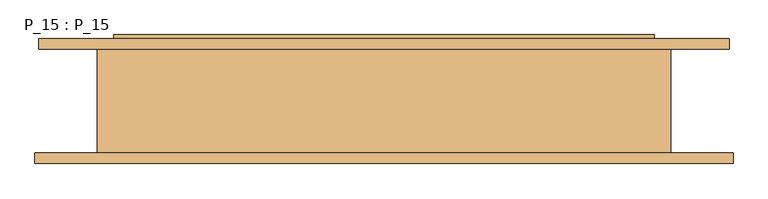
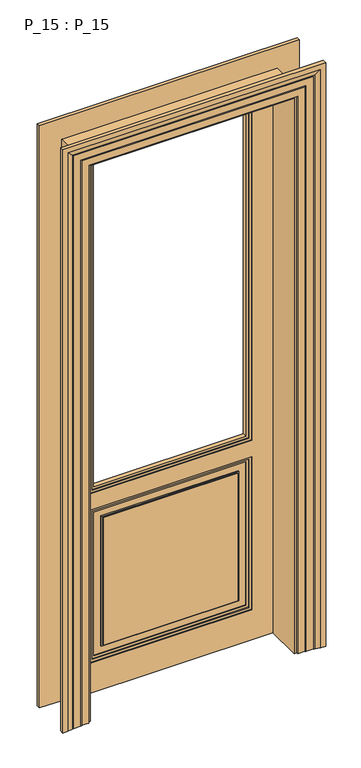
"""IFC4 building model written with IfcOpenShell, lengths in millimetres: door geometry, P_15 : P_15."""

from ifc_helpers import new_model, si_unit, frame, origin, place, context, project, spatial, polyline, outline, extrude, faceted_brep, source, transform, mapped, element, save


def p_15_p_15_2faf7671(model_context):
    return source(origin(), model_context, "Body", "SolidModel", [
        faceted_brep([(415.0, 102.0, 0.0), (-415.0, 102.0, 0.0), (-415.0, 102.0, 2395.0), (415.0, 102.0, 2395.0), (330.0, 102.0, 790.0), (-330.0, 102.0, 790.0), (-330.0, 102.0, 130.0), (330.0, 102.0, 130.0), (330.0, 102.0, 860.0), (330.0, 102.0, 2310.0), (-330.0, 102.0, 2310.0), (-330.0, 102.0, 860.0), (330.0, 98.0, 790.0), (-330.0, 98.0, 790.0), (-330.0, 98.0, 130.0), (330.0, 98.0, 130.0), (415.0, 95.0, 0.0), (420.0, 95.0, 0.0), (420.0, 80.0, 0.0), (415.0, 80.0, 0.0), (415.0, 68.0, 0.0), (-415.0, 68.0, 0.0), (-415.0, 80.0, 0.0), (-420.0, 80.0, 0.0), (-420.0, 95.0, 0.0), (-415.0, 95.0, 0.0), (-415.0, 95.0, 2395.0), (415.0, 95.0, 2395.0), (330.0, 98.0, 860.0), (330.0, 98.0, 2310.0), (-330.0, 98.0, 2310.0), (-330.0, 98.0, 860.0), (-420.0, 95.0, 2400.0), (420.0, 95.0, 2400.0), (420.0, 80.0, 2400.0), (-420.0, 80.0, 2400.0), (-415.0, 80.0, 2395.0), (415.0, 80.0, 2395.0), (310.0, 80.0, 150.0), (310.0, 80.0, 770.0), (-310.0, 80.0, 770.0), (-310.0, 80.0, 150.0), (280.0, 80.0, 740.0), (280.0, 80.0, 180.0), (-280.0, 80.0, 180.0), (-280.0, 80.0, 740.0), (-310.0, 90.0, 770.0), (310.0, 90.0, 770.0), (310.0, 90.0, 150.0), (-310.0, 90.0, 150.0), (-280.0, 90.0, 180.0), (280.0, 90.0, 180.0), (280.0, 90.0, 740.0), (-280.0, 90.0, 740.0), (-275.0, 90.0, 735.0), (275.0, 90.0, 735.0), (275.0, 90.0, 185.0), (-275.0, 90.0, 185.0), (310.0, 94.0, 2290.0), (310.0, 94.0, 880.0), (310.0, 76.0, 880.0), (310.0, 76.0, 2290.0), (-310.0, 94.0, 880.0), (-310.0, 76.0, 880.0), (-310.0, 94.0, 2290.0), (-310.0, 76.0, 2290.0), (320.0, 98.0, 2300.0), (320.0, 98.0, 870.0), (320.0, 94.0, 870.0), (320.0, 94.0, 2300.0), (-320.0, 98.0, 870.0), (-320.0, 94.0, 870.0), (-320.0, 98.0, 2300.0), (-320.0, 94.0, 2300.0), (-320.0, 98.0, 780.0), (320.0, 98.0, 780.0), (320.0, 94.0, 780.0), (-320.0, 94.0, 780.0), (320.0, 98.0, 140.0), (320.0, 94.0, 140.0), (-320.0, 98.0, 140.0), (-320.0, 94.0, 140.0), (-280.0, 94.0, 740.0), (280.0, 94.0, 740.0), (280.0, 94.0, 180.0), (-280.0, 94.0, 180.0), (-275.0, 94.0, 735.0), (-275.0, 94.0, 185.0), (275.0, 94.0, 185.0), (275.0, 94.0, 735.0), (-310.0, 94.0, 770.0), (-310.0, 94.0, 150.0), (310.0, 94.0, 150.0), (310.0, 94.0, 770.0), (330.0, 68.0, 790.0), (-330.0, 68.0, 790.0), (-330.0, 72.0, 790.0), (330.0, 72.0, 790.0), (-330.0, 68.0, 130.0), (-330.0, 72.0, 130.0), (330.0, 68.0, 130.0), (330.0, 72.0, 130.0), (-415.0, 68.0, 2395.0), (415.0, 68.0, 2395.0), (330.0, 68.0, 860.0), (330.0, 68.0, 2310.0), (330.0, 72.0, 2310.0), (330.0, 72.0, 860.0), (-330.0, 68.0, 2310.0), (-330.0, 68.0, 860.0), (-330.0, 72.0, 860.0), (-330.0, 72.0, 2310.0), (-320.0, 72.0, 2300.0), (-320.0, 72.0, 870.0), (-320.0, 76.0, 870.0), (-320.0, 76.0, 2300.0), (320.0, 72.0, 870.0), (320.0, 76.0, 870.0), (320.0, 72.0, 2300.0), (320.0, 76.0, 2300.0), (320.0, 72.0, 780.0), (-320.0, 72.0, 780.0), (-320.0, 76.0, 780.0), (320.0, 76.0, 780.0), (-320.0, 72.0, 140.0), (-320.0, 76.0, 140.0), (320.0, 72.0, 140.0), (320.0, 76.0, 140.0), (280.0, 76.0, 740.0), (-280.0, 76.0, 740.0), (-280.0, 76.0, 180.0), (280.0, 76.0, 180.0), (275.0, 76.0, 735.0), (275.0, 76.0, 185.0), (-275.0, 76.0, 185.0), (-275.0, 76.0, 735.0), (310.0, 76.0, 770.0), (310.0, 76.0, 150.0), (-310.0, 76.0, 150.0), (-310.0, 76.0, 770.0), (275.0, 72.0, 735.0), (-275.0, 72.0, 735.0), (-275.0, 72.0, 185.0), (275.0, 72.0, 185.0)], [[[0, 1, 2, 3], [4, 5, 6, 7], [8, 9, 10, 11]], [[5, 4, 12, 13]], [[6, 5, 13, 14]], [[7, 6, 14, 15]], [[4, 7, 15, 12]], [[1, 0, 16, 17, 18, 19, 20, 21, 22, 23, 24, 25]], [[2, 1, 25, 26]], [[0, 3, 27, 16]], [[9, 8, 28, 29]], [[11, 10, 30, 31]], [[8, 11, 31, 28]], [[17, 16, 27, 26, 25, 24, 32, 33]], [[17, 33, 34, 18]], [[35, 23, 22, 36, 37, 19, 18, 34]], [[38, 39, 40, 41], [42, 43, 44, 45]], [[32, 24, 23, 35]], [[46, 47, 48, 49], [50, 51, 52, 53]], [[54, 55, 56, 57]], [[58, 59, 60, 61]], [[59, 62, 63, 60]], [[62, 64, 65, 63]], [[3, 2, 26, 27]], [[10, 9, 29, 30]], [[33, 32, 35, 34]], [[64, 58, 61, 65]], [[66, 67, 68, 69]], [[67, 70, 71, 68]], [[70, 72, 73, 71]], [[74, 75, 76, 77]], [[75, 78, 79, 76]], [[78, 80, 81, 79]], [[80, 74, 77, 81]], [[13, 12, 15, 14], [74, 80, 78, 75]], [[28, 31, 30, 29], [72, 70, 67, 66]], [[72, 66, 69, 73]], [[82, 83, 84, 85], [86, 87, 88, 89]], [[77, 76, 79, 81], [90, 91, 92, 93]], [[73, 69, 68, 71], [64, 62, 59, 58]], [[91, 90, 46, 49]], [[92, 91, 49, 48]], [[93, 92, 48, 47]], [[90, 93, 47, 46]], [[83, 82, 53, 52]], [[84, 83, 52, 51]], [[85, 84, 51, 50]], [[82, 85, 50, 53]], [[87, 86, 54, 57]], [[88, 87, 57, 56]], [[89, 88, 56, 55]], [[86, 89, 55, 54]], [[94, 95, 96, 97]], [[95, 98, 99, 96]], [[98, 100, 101, 99]], [[100, 94, 97, 101]], [[21, 102, 36, 22]], [[103, 20, 19, 37]], [[104, 105, 106, 107]], [[108, 109, 110, 111]], [[109, 104, 107, 110]], [[20, 103, 102, 21], [94, 100, 98, 95], [104, 109, 108, 105]], [[102, 103, 37, 36]], [[105, 108, 111, 106]], [[112, 113, 114, 115]], [[113, 116, 117, 114]], [[116, 118, 119, 117]], [[120, 121, 122, 123]], [[121, 124, 125, 122]], [[124, 126, 127, 125]], [[126, 120, 123, 127]], [[110, 107, 106, 111], [118, 116, 113, 112]], [[97, 96, 99, 101], [120, 126, 124, 121]], [[118, 112, 115, 119]], [[128, 129, 130, 131], [132, 133, 134, 135]], [[117, 119, 115, 114], [61, 60, 63, 65]], [[127, 123, 122, 125], [136, 137, 138, 139]], [[137, 136, 39, 38]], [[138, 137, 38, 41]], [[139, 138, 41, 40]], [[136, 139, 40, 39]], [[129, 128, 42, 45]], [[130, 129, 45, 44]], [[131, 130, 44, 43]], [[128, 131, 43, 42]], [[140, 141, 142, 143]], [[140, 143, 133, 132]], [[142, 141, 135, 134]], [[143, 142, 134, 133]], [[141, 140, 132, 135]]]),
        faceted_brep([(530.0, 80.0, 0.0), (440.0, 80.0, 0.0), (440.0, -80.0, 0.0), (536.0, -80.0, 0.0), (536.0, -96.0, 0.0), (516.0, -96.0, 0.0), (496.0, -92.0291126, 0.0), (496.0, -91.0291126, 0.0), (491.0, -91.0291126, 0.0), (491.0, -90.0291126, 0.0), (461.0, -90.0291126, 0.0), (461.0, -89.0291126, 0.0), (456.0, -89.0291126, 0.0), (456.0, -88.0291126, 0.0), (426.0, -88.0291126, 0.0), (426.0, -80.0, 0.0), (416.0, -80.0, 0.0), (416.0, 80.0, 0.0), (426.0, 80.0, 0.0), (426.0, 88.0291126, 0.0), (456.0, 88.0291126, 0.0), (456.0, 89.0291126, 0.0), (461.0, 89.0291126, 0.0), (461.0, 90.0291126, 0.0), (485.0, 90.0291126, 0.0), (485.0, 91.0291126, 0.0), (490.0, 91.0291126, 0.0), (490.0, 92.0291126, 0.0), (510.0, 96.0, 0.0), (530.0, 96.0, 0.0), (530.0, 80.0, 2510.0), (-530.0, 80.0, 2510.0), (-530.0, 80.0, 0.0), (-440.0, 80.0, 0.0), (-440.0, 80.0, 2420.0), (440.0, 80.0, 2420.0), (440.0, -80.0, 2420.0), (-440.0, -80.0, 2420.0), (-440.0, -80.0, 0.0), (-536.0, -80.0, 0.0), (-536.0, -80.0, 2516.0), (536.0, -80.0, 2516.0), (536.0, -96.0, 2516.0), (-536.0, -96.0, 2516.0), (-536.0, -96.0, 0.0), (-516.0, -96.0, 0.0), (-516.0, -96.0, 2496.0), (516.0, -96.0, 2496.0), (496.0, -92.0291126, 2476.0), (496.0, -91.0291126, 2476.0), (-496.0, -91.0291126, 2476.0), (-496.0, -91.0291126, 0.0), (-491.0, -91.0291126, 0.0), (-491.0, -91.0291126, 2471.0), (491.0, -91.0291126, 2471.0), (491.0, -90.0291126, 2471.0), (-491.0, -90.0291126, 2471.0), (-491.0, -90.0291126, 0.0), (-461.0, -90.0291126, 0.0), (-461.0, -90.0291126, 2441.0), (461.0, -90.0291126, 2441.0), (461.0, -89.0291126, 2441.0), (-461.0, -89.0291126, 2441.0), (-461.0, -89.0291126, 0.0), (-456.0, -89.0291126, 0.0), (-456.0, -89.0291126, 2436.0), (456.0, -89.0291126, 2436.0), (456.0, -88.0291126, 2436.0), (-456.0, -88.0291126, 2436.0), (-456.0, -88.0291126, 0.0), (-426.0, -88.0291126, 0.0), (-426.0, -88.0291126, 2406.0), (426.0, -88.0291126, 2406.0), (426.0, -80.0, 2406.0), (-426.0, -80.0, 2406.0), (-426.0, -80.0, 0.0), (-416.0, -80.0, 0.0), (-416.0, -80.0, 2396.0), (416.0, -80.0, 2396.0), (416.0, 80.0, 2396.0), (-416.0, 80.0, 2396.0), (-416.0, 80.0, 0.0), (-426.0, 80.0, 0.0), (-426.0, 80.0, 2406.0), (426.0, 80.0, 2406.0), (426.0, 88.0291126, 2406.0), (-426.0, 88.0291126, 2406.0), (-426.0, 88.0291126, 0.0), (-456.0, 88.0291126, 0.0), (-456.0, 88.0291126, 2436.0), (456.0, 88.0291126, 2436.0), (456.0, 89.0291126, 2436.0), (-456.0, 89.0291126, 2436.0), (-456.0, 89.0291126, 0.0), (-461.0, 89.0291126, 0.0), (-461.0, 89.0291126, 2441.0), (461.0, 89.0291126, 2441.0), (461.0, 90.0291126, 2441.0), (-461.0, 90.0291126, 2441.0), (-461.0, 90.0291126, 0.0), (-485.0, 90.0291126, 0.0), (-485.0, 90.0291126, 2465.0), (485.0, 90.0291126, 2465.0), (485.0, 91.0291126, 2465.0), (-485.0, 91.0291126, 2465.0), (-485.0, 91.0291126, 0.0), (-490.0, 91.0291126, 0.0), (-490.0, 91.0291126, 2470.0), (490.0, 91.0291126, 2470.0), (490.0, 92.0291126, 2470.0), (510.0, 96.0, 2490.0), (-510.0, 96.0, 2490.0), (-510.0, 96.0, 0.0), (-530.0, 96.0, 0.0), (-530.0, 96.0, 2510.0), (530.0, 96.0, 2510.0), (-490.0, 92.0291126, 0.0), (-496.0, -92.0291126, 0.0), (-490.0, 92.0291126, 2470.0), (-496.0, -92.0291126, 2476.0)], [[[0, 1, 2, 3, 4, 5, 6, 7, 8, 9, 10, 11, 12, 13, 14, 15, 16, 17, 18, 19, 20, 21, 22, 23, 24, 25, 26, 27, 28, 29]], [[1, 0, 30, 31, 32, 33, 34, 35]], [[2, 1, 35, 36]], [[3, 2, 36, 37, 38, 39, 40, 41]], [[4, 3, 41, 42]], [[5, 4, 42, 43, 44, 45, 46, 47]], [[6, 5, 47, 48]], [[7, 6, 48, 49]], [[8, 7, 49, 50, 51, 52, 53, 54]], [[9, 8, 54, 55]], [[10, 9, 55, 56, 57, 58, 59, 60]], [[11, 10, 60, 61]], [[12, 11, 61, 62, 63, 64, 65, 66]], [[13, 12, 66, 67]], [[14, 13, 67, 68, 69, 70, 71, 72]], [[15, 14, 72, 73]], [[16, 15, 73, 74, 75, 76, 77, 78]], [[17, 16, 78, 79]], [[18, 17, 79, 80, 81, 82, 83, 84]], [[19, 18, 84, 85]], [[20, 19, 85, 86, 87, 88, 89, 90]], [[21, 20, 90, 91]], [[22, 21, 91, 92, 93, 94, 95, 96]], [[23, 22, 96, 97]], [[24, 23, 97, 98, 99, 100, 101, 102]], [[25, 24, 102, 103]], [[26, 25, 103, 104, 105, 106, 107, 108]], [[27, 26, 108, 109]], [[28, 27, 109, 110]], [[29, 28, 110, 111, 112, 113, 114, 115]], [[0, 29, 115, 30]], [[31, 114, 113, 32]], [[32, 113, 112, 116, 106, 105, 100, 99, 94, 93, 88, 87, 82, 81, 76, 75, 70, 69, 64, 63, 58, 57, 52, 51, 117, 45, 44, 39, 38, 33]], [[37, 34, 33, 38]], [[74, 71, 70, 75]], [[80, 77, 76, 81]], [[86, 83, 82, 87]], [[111, 118, 116, 112]], [[118, 107, 106, 116]], [[104, 101, 100, 105]], [[98, 95, 94, 99]], [[92, 89, 88, 93]], [[68, 65, 64, 69]], [[62, 59, 58, 63]], [[56, 53, 52, 57]], [[50, 119, 117, 51]], [[119, 46, 45, 117]], [[43, 40, 39, 44]], [[30, 115, 114, 31]], [[36, 35, 34, 37]], [[73, 72, 71, 74]], [[79, 78, 77, 80]], [[85, 84, 83, 86]], [[91, 90, 89, 92]], [[97, 96, 95, 98]], [[103, 102, 101, 104]], [[109, 108, 107, 118]], [[110, 109, 118, 111]], [[42, 41, 40, 43]], [[48, 47, 46, 119]], [[49, 48, 119, 50]], [[55, 54, 53, 56]], [[61, 60, 59, 62]], [[67, 66, 65, 68]]]),
        extrude(outline(polyline([(275.0, 90.0), (-275.0, 90.0), (-275.0, 98.0), (275.0, 98.0), (275.0, 90.0)])), frame((0.0, 0.0, 185.0), z_axis=(0.0, 0.0, 1.0), x_axis=(1.0, 0.0, 0.0)), (0.0, 0.0, 1.0), 550.0),
    ])


if __name__ == "__main__":
    model = new_model("IFC4")
    model_context = context("Model", 3, world=origin())
    ifc_project = project(units=[si_unit("LENGTHUNIT", "METRE", prefix="MILLI")], contexts=[model_context])
    site = spatial("IfcSite", under=ifc_project)
    building = spatial("IfcBuilding", under=site)
    placement = place(None, origin())
    p_15_p_15_shape = p_15_p_15_2faf7671(model_context)
    element("IfcDoor", 1, ObjectType="P_15 : P_15", at=placement, inside=building, context=model_context, shape_type="MappedRepresentation", body=[
        mapped(p_15_p_15_shape, transform((0.0, 0.0, 0.0), x_axis=(1.0, 0.0, 0.0), y_axis=(0.0, 1.0, 0.0), z_axis=(0.0, 0.0, 1.0))),
    ])
    save(model, "model.ifc")
